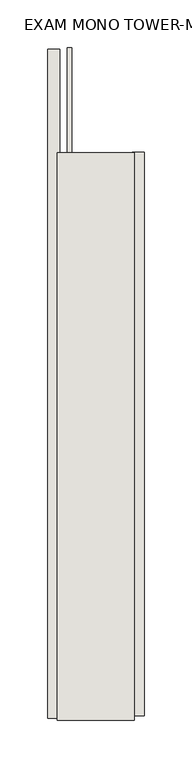
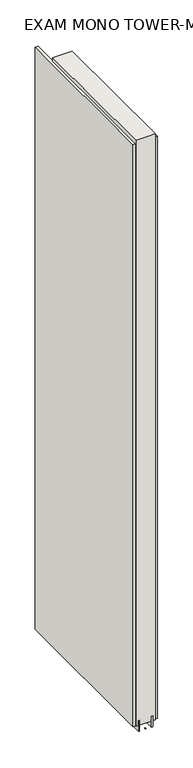
"""IFC4 building model written with IfcOpenShell, lengths in millimetres: wall geometry, EXAM MONO TOWER-MONO ACCENT : EXAM MONO TOWER-MONO ACCENT."""

from ifc_helpers import new_model, si_unit, frame, origin, place, context, project, spatial, polyline, outline, extrude, source, transform, mapped, element, save


def exam_mono_tower_mono_accent_exam_mono_tower_mono_accent_9a02f4c6(model_context):
    return source(origin(), model_context, "Body", "SweptSolid", [
        extrude(outline(polyline([(78033.282211, -54315.1293172), (78033.282211, -54317.6693172), (78030.742211, -54317.6693172), (78030.742211, -54315.1293172), (78033.282211, -54315.1293172)])), frame((0.0, 0.0, 4419.6), z_axis=(0.0, 0.0, 1.0), x_axis=(1.0, 0.0, 0.0)), (0.0, 0.0, 1.0), 2.54),
        extrude(outline(polyline([(77981.212211, -54315.6685084), (77981.212211, -53612.1685184), (77993.912211, -53612.1685184), (77993.912211, -54315.6685084), (77981.212211, -54315.6685084)])), frame((0.0, 0.0, 4445.0), z_axis=(0.0, 0.0, 1.0), x_axis=(1.0, 0.0, 0.0)), (0.0, 0.0, 1.0), 2545.0498756),
        extrude(outline(polyline([(78082.812211, -53720.3087136), (78082.812211, -54313.2086708), (78070.112211, -54313.2086708), (78070.112211, -53720.3087136), (78082.812211, -53720.3087136)])), frame((0.0, 0.0, 4445.0), z_axis=(0.0, 0.0, 1.0), x_axis=(1.0, 0.0, 0.0)), (0.0, 0.0, 1.0), 2545.0498756),
        extrude(outline(polyline([(78006.9284664, -53610.1788602), (78006.9284664, -54317.6705618), (78001.849711, -54317.6705618), (78001.849711, -53610.1788602), (78006.9284664, -53610.1788602)])), frame((0.0, 0.0, 4418.6602), z_axis=(0.0, 0.0, 1.0), x_axis=(1.0, 0.0, 0.0)), (0.0, 0.0, 1.0), 47.625),
        extrude(outline(polyline([(78006.9284664, -53610.1788602), (78006.9284664, -54317.6705618), (78001.849711, -54317.6705618), (78001.849711, -53610.1788602), (78006.9284664, -53610.1788602)])), frame((0.0, 0.0, 4418.6602), z_axis=(0.0, 0.0, 1.0), x_axis=(1.0, 0.0, 0.0)), (0.0, 0.0, 1.0), 47.625),
        extrude(outline(polyline([(78057.0959556, -54317.6705618), (78057.0959556, -53720.7705618), (78062.174711, -53720.7705618), (78062.174711, -54317.6705618), (78057.0959556, -54317.6705618)])), frame((0.0, 0.0, 4418.6602), z_axis=(0.0, 0.0, 1.0), x_axis=(1.0, 0.0, 0.0)), (0.0, 0.0, 1.0), 47.625),
        extrude(outline(polyline([(78057.0959556, -54317.6705618), (78057.0959556, -53720.7705618), (78062.174711, -53720.7705618), (78062.174711, -54317.6705618), (78057.0959556, -54317.6705618)])), frame((0.0, 0.0, 4418.6602), z_axis=(0.0, 0.0, 1.0), x_axis=(1.0, 0.0, 0.0)), (0.0, 0.0, 1.0), 47.625),
        extrude(outline(polyline([(77991.3573266, -53720.7705618), (78072.6670954, -53720.7705618), (78072.6670954, -54317.6705618), (77991.3573266, -54317.6705618), (77991.3573266, -53720.7705618)])), frame((0.0, 0.0, 4445.0), z_axis=(0.0, 0.0, 1.0), x_axis=(1.0, 0.0, 0.0)), (0.0, 0.0, 1.0), 2562.4536762),
    ])


if __name__ == "__main__":
    model = new_model("IFC4")
    model_context = context("Model", 3, world=origin())
    ifc_project = project(units=[si_unit("LENGTHUNIT", "METRE", prefix="MILLI")], contexts=[model_context])
    site = spatial("IfcSite", under=ifc_project)
    building = spatial("IfcBuilding", under=site)
    placement = place(None, origin())
    exam_mono_tower_mono_accent_exam_mono_tower_mono_accent_shape = exam_mono_tower_mono_accent_exam_mono_tower_mono_accent_9a02f4c6(model_context)
    element("IfcWall", 1, ObjectType="EXAM MONO TOWER-MONO ACCENT : EXAM MONO TOWER-MONO ACCENT", at=placement, inside=building, context=model_context, shape_type="MappedRepresentation", body=[
        mapped(exam_mono_tower_mono_accent_exam_mono_tower_mono_accent_shape, transform((0.0, 0.0, 0.0), x_axis=(1.0, 0.0, 0.0), y_axis=(0.0, 1.0, 0.0), z_axis=(0.0, 0.0, 1.0))),
    ])
    save(model, "model.ifc")
